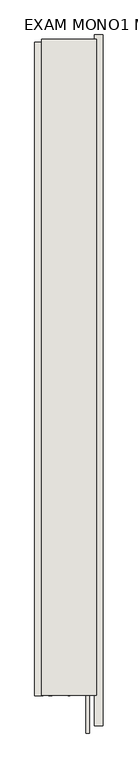
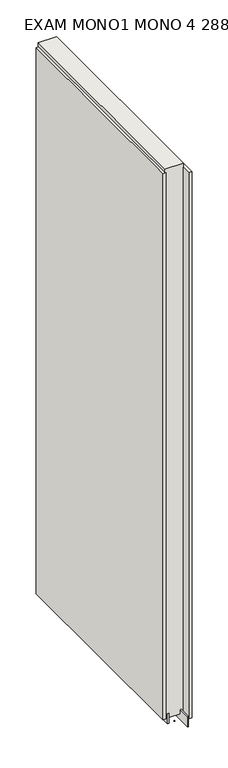
"""IFC4 building model written with IfcOpenShell, lengths in millimetres: wall geometry, EXAM MONO1 MONO 4 288846 : EXAM MONO1 MONO 4 288846."""

from ifc_helpers import new_model, si_unit, frame, origin, place, context, project, spatial, polyline, outline, extrude, source, transform, mapped, element, save


def exam_mono1_mono_4_288846_exam_mono1_mono_4_288846_81cd95fe(model_context):
    return source(origin(), model_context, "Body", "SweptSolid", [
        extrude(outline(polyline([(81690.882211, -53607.631418), (81690.882211, -53610.171418), (81688.342211, -53610.171418), (81688.342211, -53607.631418), (81690.882211, -53607.631418)])), frame((0.0, 0.0, 4419.6), z_axis=(0.0, 0.0, 1.0), x_axis=(1.0, 0.0, 0.0)), (0.0, 0.0, 1.0), 2.54),
        extrude(outline(polyline([(81638.812211, -53610.6364666), (81638.812211, -52642.3384286), (81651.512211, -52642.3384286), (81651.512211, -53610.6364666), (81638.812211, -53610.6364666)])), frame((0.0, 0.0, 4445.0), z_axis=(0.0, 0.0, 1.0), x_axis=(1.0, 0.0, 0.0)), (0.0, 0.0, 1.0), 2545.0498756),
        extrude(outline(polyline([(81740.412211, -52631.4377773), (81740.412211, -53655.0358571), (81727.712211, -53655.0358571), (81727.712211, -52631.4377773), (81740.412211, -52631.4377773)])), frame((0.0, 0.0, 4445.0), z_axis=(0.0, 0.0, 1.0), x_axis=(1.0, 0.0, 0.0)), (0.0, 0.0, 1.0), 2545.0498756),
        extrude(outline(polyline([(81664.5284664, -52637.8661236), (81664.5284664, -53610.1788602), (81659.449711, -53610.1788602), (81659.449711, -52637.8661236), (81664.5284664, -52637.8661236)])), frame((0.0, 0.0, 4418.6602), z_axis=(0.0, 0.0, 1.0), x_axis=(1.0, 0.0, 0.0)), (0.0, 0.0, 1.0), 47.625),
        extrude(outline(polyline([(81664.5284664, -52637.8661236), (81664.5284664, -53610.1788602), (81659.449711, -53610.1788602), (81659.449711, -52637.8661236), (81664.5284664, -52637.8661236)])), frame((0.0, 0.0, 4418.6602), z_axis=(0.0, 0.0, 1.0), x_axis=(1.0, 0.0, 0.0)), (0.0, 0.0, 1.0), 47.625),
        extrude(outline(polyline([(81714.6959556, -53665.474711), (81714.6959556, -52637.8661236), (81719.774711, -52637.8661236), (81719.774711, -53665.474711), (81714.6959556, -53665.474711)])), frame((0.0, 0.0, 4418.6602), z_axis=(0.0, 0.0, 1.0), x_axis=(1.0, 0.0, 0.0)), (0.0, 0.0, 1.0), 47.625),
        extrude(outline(polyline([(81714.6959556, -53665.474711), (81714.6959556, -52637.8661236), (81719.774711, -52637.8661236), (81719.774711, -53665.474711), (81714.6959556, -53665.474711)])), frame((0.0, 0.0, 4418.6602), z_axis=(0.0, 0.0, 1.0), x_axis=(1.0, 0.0, 0.0)), (0.0, 0.0, 1.0), 47.625),
        extrude(outline(polyline([(81648.9573266, -52637.8661236), (81730.2670954, -52637.8661236), (81730.2670954, -53610.1788602), (81648.9573266, -53610.1788602), (81648.9573266, -52637.8661236)])), frame((0.0, 0.0, 4445.0), z_axis=(0.0, 0.0, 1.0), x_axis=(1.0, 0.0, 0.0)), (0.0, 0.0, 1.0), 2562.4536762),
    ])


if __name__ == "__main__":
    model = new_model("IFC4")
    model_context = context("Model", 3, world=origin())
    ifc_project = project(units=[si_unit("LENGTHUNIT", "METRE", prefix="MILLI")], contexts=[model_context])
    site = spatial("IfcSite", under=ifc_project)
    building = spatial("IfcBuilding", under=site)
    placement = place(None, origin())
    exam_mono1_mono_4_288846_exam_mono1_mono_4_288846_shape = exam_mono1_mono_4_288846_exam_mono1_mono_4_288846_81cd95fe(model_context)
    element("IfcWall", 1, ObjectType="EXAM MONO1 MONO 4 288846 : EXAM MONO1 MONO 4 288846", at=placement, inside=building, context=model_context, shape_type="MappedRepresentation", body=[
        mapped(exam_mono1_mono_4_288846_exam_mono1_mono_4_288846_shape, transform((0.0, 0.0, 0.0), x_axis=(1.0, 0.0, 0.0), y_axis=(0.0, 1.0, 0.0), z_axis=(0.0, 0.0, 1.0))),
    ])
    save(model, "model.ifc")
